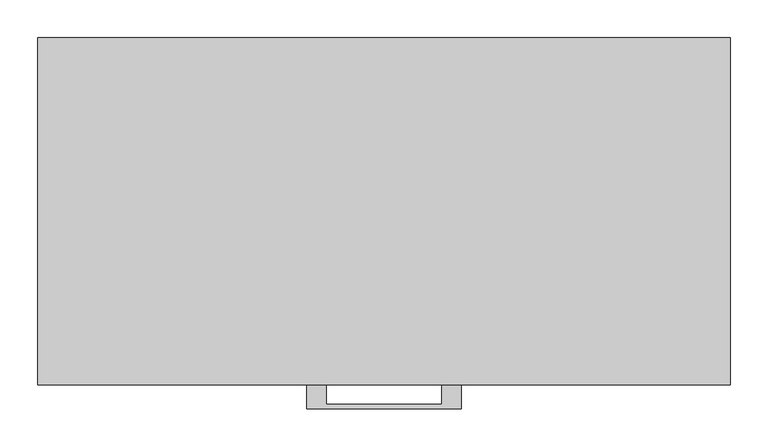
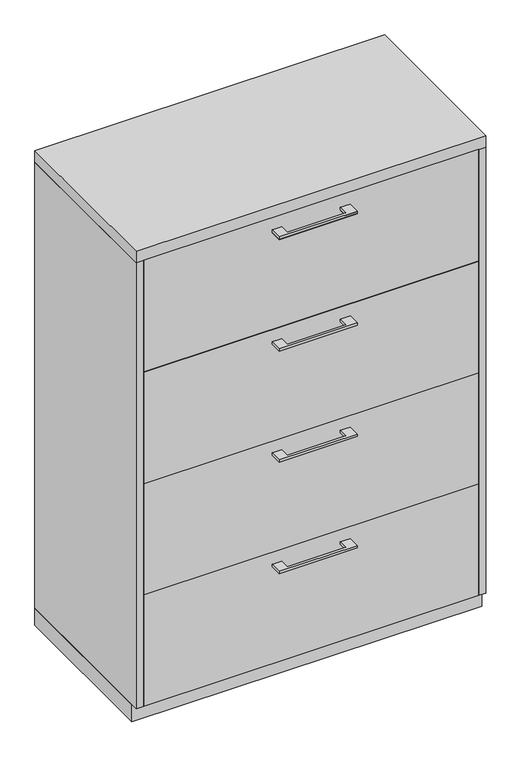
"""IFC4 building model written with IfcOpenShell, lengths in millimetres: furniture geometry."""

from ifc_helpers import new_model, si_unit, frame, origin, origin_with_axes, place, context, project, spatial, polyline, outline, extrude, source, transform, mapped, element, save


def furniture_025266cc(model_context):
    return source(origin(), model_context, "Body", "SweptSolid", [
        extrude(outline(polyline([(-76.1999818, -457.2), (-76.1999818, -482.5999758), (76.2, -482.5999758), (76.2, -457.2), (101.5999939, -457.2), (101.5999939, -488.9499879), (-101.5999939, -488.9499879), (-101.5999939, -457.2), (-76.1999818, -457.2)])), frame((0.0, 0.0, 1236.6625506), z_axis=(0.0, 0.0, 1.0), x_axis=(1.0, 0.0, 0.0)), (0.0, 0.0, 1.0), 6.3499758),
        extrude(outline(polyline([(436.5625, -438.15), (436.5625, -457.2), (-436.5625, -457.2), (-436.5625, -438.15), (436.5625, -438.15)])), frame((0.0, 0.0, 969.16875), z_axis=(0.0, 0.0, 1.0), x_axis=(1.0, 0.0, 0.0)), (0.0, 0.0, 1.0), 307.18125),
        extrude(outline(polyline([(-76.1999818, -457.2), (-76.1999818, -482.5999758), (76.2, -482.5999758), (76.2, -457.2), (101.5999939, -457.2), (101.5999939, -488.9499879), (-101.5999939, -488.9499879), (-101.5999939, -457.2), (-76.1999818, -457.2)])), frame((0.0, 0.0, 1235.2338006), z_axis=(0.0, 0.0, 1.0), x_axis=(1.0, 0.0, 0.0)), (0.0, 0.0, 1.0), 6.3499758),
        extrude(outline(polyline([(436.5625, -438.15), (436.5625, -457.2), (-436.5625, -457.2), (-436.5625, -438.15), (436.5625, -438.15)])), frame((0.0, 0.0, 967.74), z_axis=(0.0, 0.0, 1.0), x_axis=(1.0, 0.0, 0.0)), (0.0, 0.0, 1.0), 307.18125),
        extrude(outline(polyline([(-76.1999818, -457.2), (-76.1999818, -482.5999758), (76.2, -482.5999758), (76.2, -457.2), (101.5999939, -457.2), (101.5999939, -488.9499879), (-101.5999939, -488.9499879), (-101.5999939, -457.2), (-76.1999818, -457.2)])), frame((0.0, 0.0, 928.5288006), z_axis=(0.0, 0.0, 1.0), x_axis=(1.0, 0.0, 0.0)), (0.0, 0.0, 1.0), 6.3499758),
        extrude(outline(polyline([(436.5625, -438.15), (436.5625, -457.2), (-436.5625, -457.2), (-436.5625, -438.15), (436.5625, -438.15)])), frame((0.0, 0.0, 661.035), z_axis=(0.0, 0.0, 1.0), x_axis=(1.0, 0.0, 0.0)), (0.0, 0.0, 1.0), 307.18125),
        extrude(outline(polyline([(-76.1999818, -457.2), (-76.1999818, -482.5999758), (76.2, -482.5999758), (76.2, -457.2), (101.5999939, -457.2), (101.5999939, -488.9499879), (-101.5999939, -488.9499879), (-101.5999939, -457.2), (-76.1999818, -457.2)])), frame((0.0, 0.0, 622.3000506), z_axis=(0.0, 0.0, 1.0), x_axis=(1.0, 0.0, 0.0)), (0.0, 0.0, 1.0), 6.3499758),
        extrude(outline(polyline([(436.5625, -438.15), (436.5625, -457.2), (-436.5625, -457.2), (-436.5625, -438.15), (436.5625, -438.15)])), frame((0.0, 0.0, 354.80625), z_axis=(0.0, 0.0, 1.0), x_axis=(1.0, 0.0, 0.0)), (0.0, 0.0, 1.0), 307.18125),
        extrude(outline(polyline([(-76.1999818, -457.2), (-76.1999818, -482.5999758), (76.2, -482.5999758), (76.2, -457.2), (101.5999939, -457.2), (101.5999939, -488.9499879), (-101.5999939, -488.9499879), (-101.5999939, -457.2), (-76.1999818, -457.2)])), frame((0.0, 0.0, 315.1188006), z_axis=(0.0, 0.0, 1.0), x_axis=(1.0, 0.0, 0.0)), (0.0, 0.0, 1.0), 6.3499758),
        extrude(outline(polyline([(436.5625, -438.15), (436.5625, -457.2), (-436.5625, -457.2), (-436.5625, -438.15), (436.5625, -438.15)])), frame((0.0, 0.0, 47.625), z_axis=(0.0, 0.0, 1.0), x_axis=(1.0, 0.0, 0.0)), (0.0, 0.0, 1.0), 307.18125),
        extrude(outline(polyline([(455.6125, 0.0), (455.6125, -438.15), (-455.6125, -438.15), (-455.6125, 0.0), (455.6125, 0.0)])), origin_with_axes(), (0.0, 0.0, 1.0), 47.625),
        extrude(outline(polyline([(455.6125, 0.0), (455.6125, -457.2), (-455.6125, -457.2), (-455.6125, 0.0), (455.6125, 0.0)])), frame((0.0, 0.0, 1276.35), z_axis=(0.0, 0.0, 1.0), x_axis=(1.0, 0.0, 0.0)), (0.0, 0.0, 1.0), 31.75),
        extrude(outline(polyline([(455.6125, 0.0), (455.6125, -457.2), (436.5625, -457.2), (436.5625, -19.05), (-436.5625, -19.05), (-436.5625, -457.2), (-455.6125, -457.2), (-455.6125, 0.0), (455.6125, 0.0)])), frame((0.0, 0.0, 47.625), z_axis=(0.0, 0.0, 1.0), x_axis=(1.0, 0.0, 0.0)), (0.0, 0.0, 1.0), 1228.725),
    ])


if __name__ == "__main__":
    model = new_model("IFC4")
    model_context = context("Model", 3, world=origin())
    ifc_project = project(units=[si_unit("LENGTHUNIT", "METRE", prefix="MILLI")], contexts=[model_context])
    site = spatial("IfcSite", under=ifc_project)
    building = spatial("IfcBuilding", under=site)
    placement = place(None, origin())
    furniture_shape = furniture_025266cc(model_context)
    element("IfcFurniture", 1, at=placement, inside=building, context=model_context, shape_type="MappedRepresentation", body=[
        mapped(furniture_shape, transform((0.0, 0.0, 0.0), x_axis=(1.0, 0.0, 0.0), y_axis=(0.0, 1.0, 0.0), z_axis=(0.0, 0.0, 1.0))),
    ])
    save(model, "model.ifc")
